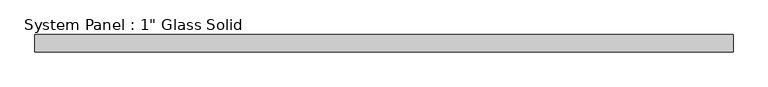
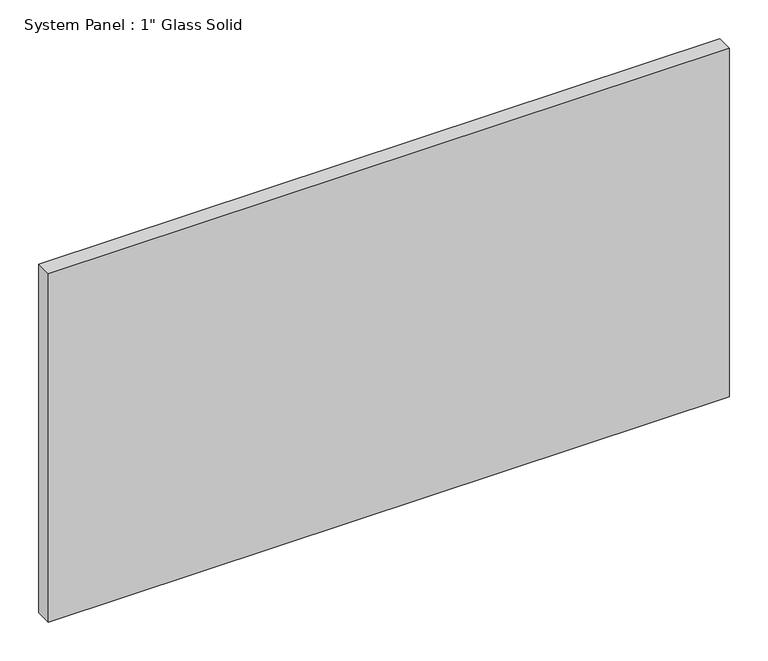
"""IFC4 building model written with IfcOpenShell, lengths in millimetres: plate geometry."""

from ifc_helpers import new_model, si_unit, origin, origin_with_axes, place, context, project, spatial, polyline, outline, extrude, source, transform, mapped, element, save


def plate_de8cd5b4(model_context):
    return source(origin(), model_context, "Body", "SweptSolid", [
        extrude(outline(polyline([(510.6458333, -12.7), (-510.6458333, -12.7), (-510.6458333, 12.7), (510.6458333, 12.7), (510.6458333, -12.7)])), origin_with_axes(), (0.0, 0.0, 1.0), 552.45),
    ])


if __name__ == "__main__":
    model = new_model("IFC4")
    model_context = context("Model", 3, world=origin())
    ifc_project = project(units=[si_unit("LENGTHUNIT", "METRE", prefix="MILLI")], contexts=[model_context])
    site = spatial("IfcSite", under=ifc_project)
    building = spatial("IfcBuilding", under=site)
    placement = place(None, origin())
    plate_shape = plate_de8cd5b4(model_context)
    element("IfcPlate", 1, ObjectType="System Panel : 1\" Glass Solid", at=placement, inside=building, context=model_context, shape_type="MappedRepresentation", body=[
        mapped(plate_shape, transform((0.0, 0.0, 0.0), x_axis=(1.0, 0.0, 0.0), y_axis=(0.0, 1.0, 0.0), z_axis=(0.0, 0.0, 1.0))),
    ])
    save(model, "model.ifc")
